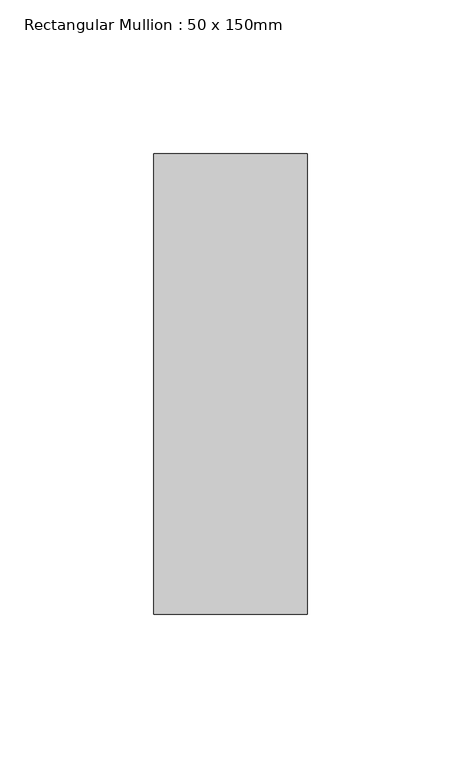
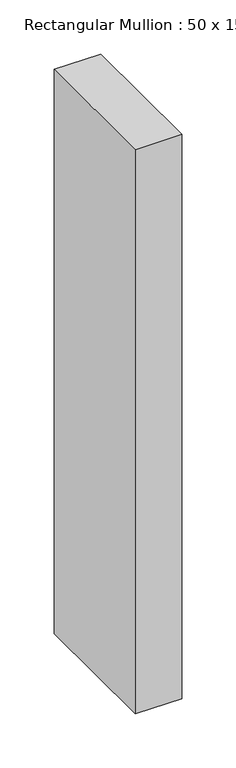
"""IFC4 building model written with IfcOpenShell, lengths in millimetres: member geometry, Rectangular Mullion : 50 x 150mm."""

from ifc_helpers import new_model, si_unit, frame, origin, place, context, project, spatial, polyline, outline, extrude, source, transform, mapped, element, save


def rectangular_mullion_50_x_150mm_8a3e78be(model_context):
    return source(origin(), model_context, "Body", "SweptSolid", [
        extrude(outline(polyline([(25.0, 75.0), (25.0, -75.0), (-25.0, -75.0), (-25.0, 75.0), (25.0, 75.0)])), frame((0.0, 0.0, -637.4666667), z_axis=(0.0, 0.0, 1.0), x_axis=(1.0, 0.0, 0.0)), (0.0, 0.0, 1.0), 637.4666667),
    ])


if __name__ == "__main__":
    model = new_model("IFC4")
    model_context = context("Model", 3, world=origin())
    ifc_project = project(units=[si_unit("LENGTHUNIT", "METRE", prefix="MILLI")], contexts=[model_context])
    site = spatial("IfcSite", under=ifc_project)
    building = spatial("IfcBuilding", under=site)
    placement = place(None, origin())
    rectangular_mullion_50_x_150mm_shape = rectangular_mullion_50_x_150mm_8a3e78be(model_context)
    element("IfcMember", 1, ObjectType="Rectangular Mullion : 50 x 150mm", at=placement, inside=building, context=model_context, shape_type="MappedRepresentation", body=[
        mapped(rectangular_mullion_50_x_150mm_shape, transform((0.0, 0.0, 0.0), x_axis=(1.0, 0.0, 0.0), y_axis=(0.0, 1.0, 0.0), z_axis=(0.0, 0.0, 1.0))),
    ])
    save(model, "model.ifc")
